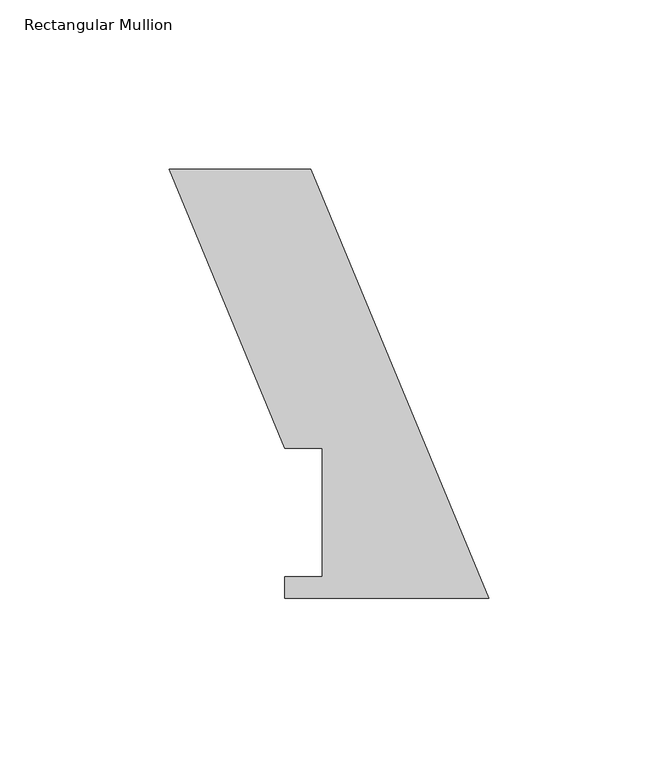
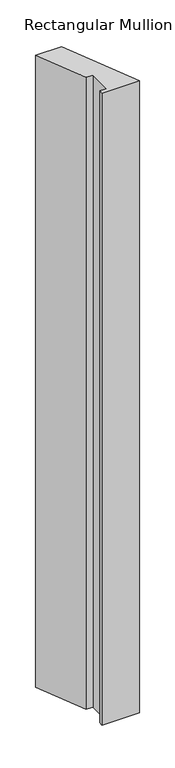
"""IFC4 building model written with IfcOpenShell, lengths in millimetres: member geometry, Rectangular Mullion."""

from ifc_helpers import new_model, si_unit, frame, origin, place, context, project, spatial, polyline, outline, extrude, source, transform, mapped, element, save


def rectangular_mullion_4f755c79(model_context):
    return source(origin(), model_context, "Body", "SweptSolid", [
        extrude(outline(polyline([(-94.5183296, 127.0), (-52.6051224, 127.0), (0.0, 0.0), (-60.325, 0.0), (-60.325, 6.35), (-49.2125, 6.35), (-49.2125, 44.45), (-60.325, 44.45), (-94.5183296, 127.0)])), frame((0.0, 0.0, -1079.5), z_axis=(0.0, 0.0, 1.0), x_axis=(1.0, 0.0, 0.0)), (0.0, 0.0, 1.0), 1079.5),
    ])


if __name__ == "__main__":
    model = new_model("IFC4")
    model_context = context("Model", 3, world=origin())
    ifc_project = project(units=[si_unit("LENGTHUNIT", "METRE", prefix="MILLI")], contexts=[model_context])
    site = spatial("IfcSite", under=ifc_project)
    building = spatial("IfcBuilding", under=site)
    placement = place(None, origin())
    rectangular_mullion_shape = rectangular_mullion_4f755c79(model_context)
    element("IfcMember", 1, ObjectType="Rectangular Mullion", at=placement, inside=building, context=model_context, shape_type="MappedRepresentation", body=[
        mapped(rectangular_mullion_shape, transform((0.0, 0.0, 0.0), x_axis=(1.0, 0.0, 0.0), y_axis=(0.0, 1.0, 0.0), z_axis=(0.0, 0.0, 1.0))),
    ])
    save(model, "model.ifc")
